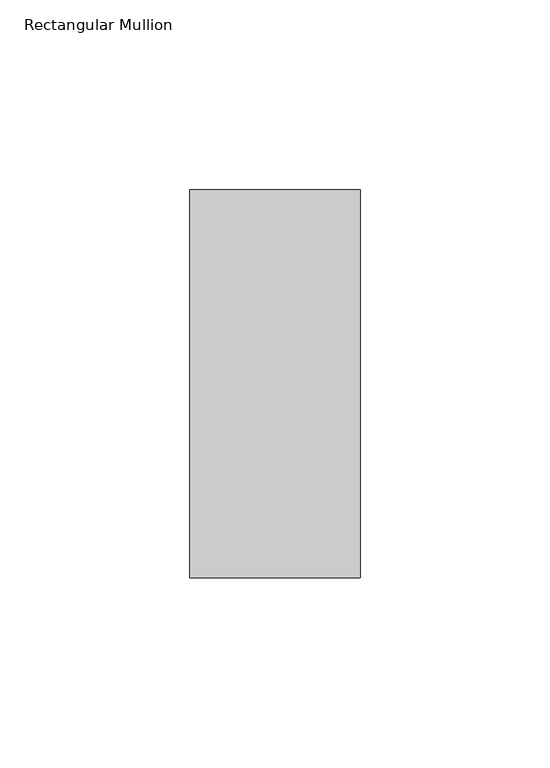
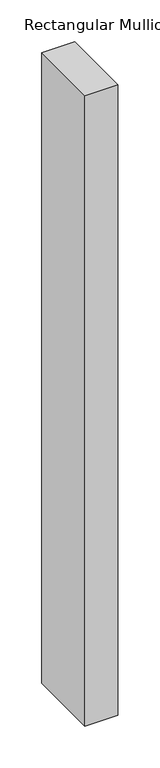
"""IFC4 building model written with IfcOpenShell, lengths in millimetres: member geometry, Rectangular Mullion."""

from ifc_helpers import new_model, si_unit, frame, origin, place, context, project, spatial, polyline, outline, extrude, source, transform, mapped, element, save


def rectangular_mullion_820f2e4b(model_context):
    return source(origin(), model_context, "Body", "SweptSolid", [
        extrude(outline(polyline([(0.0, 66.73125), (0.0, -35.73125), (-45.0, -35.73125), (-45.0, 66.73125), (0.0, 66.73125)])), frame((0.0, 0.0, -916.787254), z_axis=(0.0, 0.0, 1.0), x_axis=(1.0, 0.0, 0.0)), (0.0, 0.0, 1.0), 916.787254),
    ])


if __name__ == "__main__":
    model = new_model("IFC4")
    model_context = context("Model", 3, world=origin())
    ifc_project = project(units=[si_unit("LENGTHUNIT", "METRE", prefix="MILLI")], contexts=[model_context])
    site = spatial("IfcSite", under=ifc_project)
    building = spatial("IfcBuilding", under=site)
    placement = place(None, origin())
    rectangular_mullion_shape = rectangular_mullion_820f2e4b(model_context)
    element("IfcMember", 1, ObjectType="Rectangular Mullion", at=placement, inside=building, context=model_context, shape_type="MappedRepresentation", body=[
        mapped(rectangular_mullion_shape, transform((0.0, 0.0, 0.0), x_axis=(1.0, 0.0, 0.0), y_axis=(0.0, 1.0, 0.0), z_axis=(0.0, 0.0, 1.0))),
    ])
    save(model, "model.ifc")
